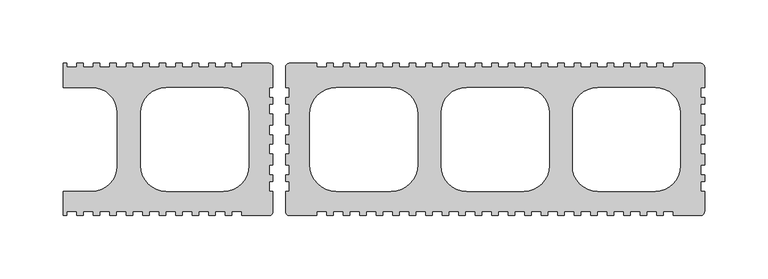
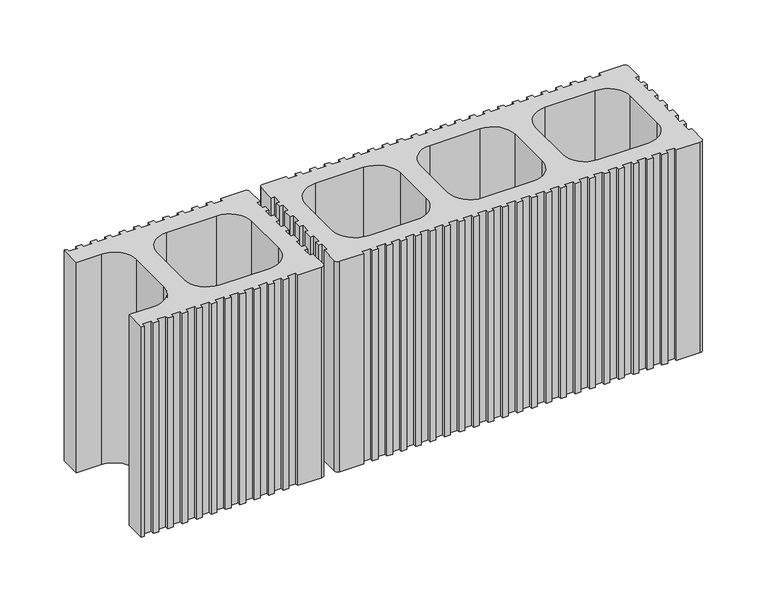
"""IFC4 building model written with IfcOpenShell, lengths in millimetres: plate geometry."""

from ifc_helpers import new_model, si_unit, point, frame_2d, origin, origin_with_axes, place, context, project, spatial, polyline, circle_curve, trimmed, segment, composite_curve, outline, extrude, source, transform, mapped, element, save


def plate_774b7703(model_context):
    return source(origin(), model_context, "Body", "SweptSolid", [
        extrude(outline(composite_curve([segment(polyline([(-114.4998028, 60.0005091), (-92.9997284, 60.0005091)]), True, "CONTINUOUS"), segment(trimmed(circle_curve(frame_2d((-92.9997284, 57.0004994)), 3.0000097), [point((-92.9997284, 60.0005091))], [point((-89.9997187, 57.0004994))], False, "CARTESIAN"), True, "CONTINUOUS"), segment(polyline([(-89.9997187, 57.0004994), (-89.9997187, 41.0004482), (-92.9997284, 41.0004482), (-92.9997284, 33.0004211), (-89.9997187, 33.0004211), (-89.9997187, 28.0004041), (-92.9997284, 28.0004041), (-92.9997284, 20.0003806), (-89.9997187, 20.0003806), (-89.9997187, 11.5003508), (-92.9997284, 11.5003508), (-92.9997284, 3.5003274), (-89.9997187, 3.5003274), (-89.9997187, -3.4996982), (-92.9997284, -3.4996982), (-92.9997284, -11.4997254), (-89.9997187, -11.4997254), (-89.9997187, -19.9997477), (-92.9997284, -19.9997477), (-92.9997284, -27.9997749), (-89.9997187, -27.9997749), (-89.9997187, -32.9997937), (-92.9997284, -32.9997937), (-92.9997284, -40.9998209), (-89.9997187, -40.9998209), (-89.9997187, -56.999871)]), True, "CONTINUOUS"), segment(trimmed(circle_curve(frame_2d((-92.9997238, -56.999871)), 3.0000051), [point((-89.9997187, -56.999871))], [point((-92.9997238, -59.9998761))], False, "CARTESIAN"), True, "CONTINUOUS"), segment(polyline([(-92.9997238, -59.9998761), (-114.4998028, -59.9998761), (-114.4998028, -56.9998664), (-122.4998151, -56.9998664), (-122.4998151, -59.9998761), (-127.4998563, -59.9998761), (-127.4998563, -56.9998664), (-135.4998685, -56.9998664), (-135.4998685, -59.9998761), (-140.4998799, -59.9998761), (-140.4998799, -56.9998664), (-148.499922, -56.9998664), (-148.499922, -59.9998761), (-153.4999334, -59.9998761), (-153.4999334, -56.9998664), (-161.4999457, -56.9998664), (-161.4999457, -59.9998761), (-166.499957, -59.9998761), (-166.499957, -56.9998664), (-174.4999991, -56.9998664), (-174.4999991, -59.9998761), (-179.5000105, -59.9998761), (-179.5000105, -56.9998664), (-187.5000377, -56.9998664), (-187.5000377, -59.9998761), (-192.5000491, -59.9998761), (-192.5000491, -56.9998664), (-200.5000762, -56.9998664), (-200.5000762, -59.9998761), (-205.5001025, -59.9998761), (-205.5001025, -56.9998664), (-213.5001297, -56.9998664), (-213.5001297, -59.9998761), (-218.5001411, -59.9998761), (-218.5001411, -56.9998664), (-226.5001683, -56.9998664), (-226.5001683, -59.9998761), (-231.5001797, -59.9998761), (-231.5001797, -56.9998664), (-239.5002068, -56.9998664), (-239.5002068, -59.9998761), (-244.5002182, -59.9998761), (-244.5002182, -56.9998664), (-252.5002454, -56.9998664), (-252.5002454, -59.9998761), (-255.0002585, -59.9998761), (-255.0002585, -40.9998761), (-232.5001435, -40.9998761)]), True, "CONTINUOUS"), segment(trimmed(circle_curve(frame_2d((-232.5001435, -20.9998113)), 20.0000648), [point((-232.5001435, -40.9998761))], [point((-212.5000788, -20.9998113))], True, "CARTESIAN"), True, "CONTINUOUS"), segment(polyline([(-212.5000788, -20.9998113), (-212.5000788, 21.0004443)]), True, "CONTINUOUS"), segment(trimmed(circle_curve(frame_2d((-232.5001435, 21.0004443)), 20.0000648), [point((-212.5000788, 21.0004443))], [point((-232.5001435, 41.0005091))], True, "CARTESIAN"), True, "CONTINUOUS"), segment(polyline([(-232.5001435, 41.0005091), (-255.0002548, 41.0005091), (-255.0002548, 60.0005091), (-252.5002454, 60.0005091), (-252.5002454, 57.0004994), (-244.5002182, 57.0004994), (-244.5002182, 60.0005091), (-239.5002068, 60.0005091), (-239.5002068, 57.0004994), (-231.5001797, 57.0004994), (-231.5001797, 60.0005091), (-226.5001683, 60.0005091), (-226.5001683, 57.0004994), (-218.5001411, 57.0004994), (-218.5001411, 60.0005091), (-213.5001297, 60.0005091), (-213.5001297, 57.0004994), (-205.5001025, 57.0004994), (-205.5001025, 60.0005091), (-200.5000762, 60.0005091), (-200.5000762, 57.0004994), (-192.5000491, 57.0004994), (-192.5000491, 60.0005091), (-187.5000377, 60.0005091), (-187.5000377, 57.0004994), (-179.5000105, 57.0004994), (-179.5000105, 60.0005091), (-174.4999991, 60.0005091), (-174.4999991, 57.0004994), (-166.499957, 57.0004994), (-166.499957, 60.0005091), (-161.4999457, 60.0005091), (-161.4999457, 57.0004994), (-153.4999334, 57.0004994), (-153.4999334, 60.0005091), (-148.499922, 60.0005091), (-148.499922, 57.0004994), (-140.4998799, 57.0004994), (-140.4998799, 60.0005091), (-135.4998685, 60.0005091), (-135.4998685, 57.0004994), (-127.4998563, 57.0004994), (-127.4998563, 60.0005091), (-122.4998151, 60.0005091), (-122.4998151, 57.0004994), (-114.4998028, 57.0004994), (-114.4998028, 60.0005091)]), True, "CONTINUOUS")], self_intersect=False), holes=[composite_curve([segment(trimmed(circle_curve(frame_2d((-173.9999985, -20.9998113)), 20.0000648), [point((-194.0000633, -20.9998113))], [point((-173.9999985, -40.9998761))], True, "CARTESIAN"), True, "CONTINUOUS"), segment(polyline([(-173.9999985, -40.9998761), (-128.999776, -40.9998761)]), True, "CONTINUOUS"), segment(trimmed(circle_curve(frame_2d((-128.999776, -20.9998113)), 20.0000648), [point((-128.999776, -40.9998761))], [point((-108.9997112, -20.9998113))], True, "CARTESIAN"), True, "CONTINUOUS"), segment(polyline([(-108.9997112, -20.9998113), (-108.9997112, 21.0004443)]), True, "CONTINUOUS"), segment(trimmed(circle_curve(frame_2d((-128.999776, 21.0004443)), 20.0000648), [point((-108.9997112, 21.0004443))], [point((-128.999776, 41.0005091))], True, "CARTESIAN"), True, "CONTINUOUS"), segment(polyline([(-128.999776, 41.0005091), (-173.9999985, 41.0005091)]), True, "CONTINUOUS"), segment(trimmed(circle_curve(frame_2d((-173.9999985, 21.0004443)), 20.0000648), [point((-173.9999985, 41.0005091))], [point((-194.0000633, 21.0004443))], True, "CARTESIAN"), True, "CONTINUOUS"), segment(polyline([(-194.0000633, 21.0004443), (-194.0000633, -20.9998113)]), True, "CONTINUOUS")], self_intersect=False)]), origin_with_axes(), (0.0, 0.0, 1.0), 200.0),
        extrude(outline(composite_curve([segment(polyline([(-55.4998769, 60.0005091), (-55.4998769, 57.0004994), (-47.4998516, 57.0004994), (-47.4998516, 60.0005091), (-42.4998328, 60.0005091), (-42.4998328, 57.0004994), (-34.4998093, 57.0004994), (-34.4998093, 60.0005091), (-29.4997905, 60.0005091), (-29.4997905, 57.0004994), (-21.499767, 57.0004994), (-21.499767, 60.0005091), (-16.4997482, 60.0005091), (-16.4997482, 57.0004994), (-8.499721, 57.0004994), (-8.499721, 60.0005091), (-3.4997096, 60.0005091), (-3.4997096, 57.0004994), (4.5003175, 57.0004994), (4.5003175, 60.0005091), (9.5003364, 60.0005091), (9.5003364, 57.0004994), (17.5003561, 57.0004994), (17.5003561, 60.0005091), (22.500375, 60.0005091), (22.500375, 57.0004994), (30.5004021, 57.0004994), (30.5004021, 60.0005091), (35.500421, 60.0005091), (35.500421, 57.0004994), (43.5004407, 57.0004994), (43.5004407, 60.0005091), (48.5004595, 60.0005091), (48.5004595, 57.0004994), (56.5004867, 57.0004994), (56.5004867, 60.0005091), (61.5004981, 60.0005091), (61.5004981, 57.0004994), (69.5005253, 57.0004994), (69.5005253, 60.0005091), (74.5005367, 60.0005091), (74.5005367, 57.0004994), (82.5005638, 57.0004994), (82.5005638, 60.0005091), (87.5005901, 60.0005091), (87.5005901, 57.0004994), (95.5006173, 57.0004994), (95.5006173, 60.0005091), (100.5006287, 60.0005091), (100.5006287, 57.0004994), (108.5006559, 57.0004994), (108.5006559, 60.0005091), (113.5006673, 60.0005091), (113.5006673, 57.0004994), (121.5006944, 57.0004994), (121.5006944, 60.0005091), (126.5007058, 60.0005091), (126.5007058, 57.0004994), (134.500733, 57.0004994), (134.500733, 60.0005091), (139.5007593, 60.0005091), (139.5007593, 57.0004994), (147.5007864, 57.0004994), (147.5007864, 60.0005091), (152.5007978, 60.0005091), (152.5007978, 57.0004994), (160.500825, 57.0004994), (160.500825, 60.0005091), (165.5008364, 60.0005091), (165.5008364, 57.0004994), (173.5008785, 57.0004994), (173.5008785, 60.0005091), (178.5008899, 60.0005091), (178.5008899, 57.0004994), (186.5009021, 57.0004994), (186.5009021, 60.0005091), (191.5009135, 60.0005091), (191.5009135, 57.0004994), (199.5009556, 57.0004994), (199.5009556, 60.0005091), (204.500967, 60.0005091), (204.500967, 57.0004994), (212.5009793, 57.0004994), (212.5009793, 60.0005091), (217.5010205, 60.0005091), (217.5010205, 57.0004994), (225.5010327, 57.0004994), (225.5010327, 60.0005091), (247.0011071, 60.0005091)]), True, "CONTINUOUS"), segment(trimmed(circle_curve(frame_2d((247.0011071, 57.0004994)), 3.0000097), [point((247.0011071, 60.0005091))], [point((250.0011168, 57.0004994))], False, "CARTESIAN"), True, "CONTINUOUS"), segment(polyline([(250.0011168, 57.0004994), (250.0011169, 41.0004482), (247.0011071, 41.0004482), (247.0011071, 33.0004211), (250.0011169, 33.0004211), (250.0011169, 28.0004041), (247.0011071, 28.0004041), (247.0011071, 20.0003807), (250.0011169, 20.0003807), (250.0011169, 11.5003509), (247.0011071, 11.5003509), (247.0011071, 3.5003274), (250.0011169, 3.5003274), (250.0011169, -3.4996982), (247.0011071, -3.4996982), (247.0011071, -11.4997254), (250.0011169, -11.4997254), (250.0011169, -19.9997477), (247.0011071, -19.9997477), (247.0011071, -27.9997749), (250.0011169, -27.9997749), (250.0011169, -32.9997937), (247.0011071, -32.9997937), (247.0011071, -40.9998209), (250.0011169, -40.9998209), (250.0011169, -56.999871)]), True, "CONTINUOUS"), segment(trimmed(circle_curve(frame_2d((247.0011118, -56.999871)), 3.0000051), [point((250.0011169, -56.999871))], [point((247.0011118, -59.9998761))], False, "CARTESIAN"), True, "CONTINUOUS"), segment(polyline([(247.0011118, -59.9998761), (225.5010327, -59.9998761), (225.5010327, -56.9998664), (217.5010205, -56.9998664), (217.5010205, -59.9998761), (212.5009793, -59.9998761), (212.5009793, -56.9998664), (204.500967, -56.9998664), (204.500967, -59.9998761), (199.5009556, -59.9998761), (199.5009556, -56.9998664), (191.5009135, -56.9998664), (191.5009135, -59.9998761), (186.5009021, -59.9998761), (186.5009021, -56.9998664), (178.5008899, -56.9998664), (178.5008899, -59.9998761), (173.5008785, -59.9998761), (173.5008785, -56.9998664), (165.5008364, -56.9998664), (165.5008364, -59.9998761), (160.500825, -59.9998761), (160.500825, -56.9998664), (152.5007978, -56.9998664), (152.5007978, -59.9998761), (147.5007864, -59.9998761), (147.5007864, -56.9998664), (139.5007593, -56.9998664), (139.5007593, -59.9998761), (134.500733, -59.9998761), (134.500733, -56.9998664), (126.5007058, -56.9998664), (126.5007058, -59.9998761), (121.5006944, -59.9998761), (121.5006944, -56.9998664), (113.5006673, -56.9998664), (113.5006673, -59.9998761), (108.5006559, -59.9998761), (108.5006559, -56.9998664), (100.5006287, -56.9998664), (100.5006287, -59.9998761), (95.5006173, -59.9998761), (95.5006173, -56.9998664), (87.5005901, -56.9998664), (87.5005901, -59.9998761), (82.5005638, -59.9998761), (82.5005638, -56.9998664), (74.5005367, -56.9998664), (74.5005367, -59.9998761), (69.5005253, -59.9998761), (69.5005253, -56.9998664), (61.5004981, -56.9998664), (61.5004981, -59.9998761), (56.5004867, -59.9998761), (56.5004867, -56.9998664), (48.5004595, -56.9998664), (48.5004595, -59.9998761), (43.5004407, -59.9998761), (43.5004407, -56.9998664), (35.500421, -56.9998664), (35.500421, -59.9998761), (30.5004021, -59.9998761), (30.5004021, -56.9998664), (22.500375, -56.9998664), (22.500375, -59.9998761), (17.5003561, -59.9998761), (17.5003561, -56.9998664), (9.5003364, -56.9998664), (9.5003364, -59.9998761), (4.5003175, -59.9998761), (4.5003175, -56.9998664), (-3.4997096, -56.9998664), (-3.4997096, -59.9998761), (-8.499721, -59.9998761), (-8.499721, -56.9998664), (-16.4997482, -56.9998664), (-16.4997482, -59.9998761), (-21.499767, -59.9998761), (-21.499767, -56.9998664), (-29.4997905, -56.9998664), (-29.4997905, -59.9998761), (-34.4998093, -59.9998761), (-34.4998093, -56.9998664), (-42.4998328, -56.9998664), (-42.4998328, -59.9998761), (-47.4998516, -59.9998761), (-47.4998516, -56.9998664), (-55.4998769, -56.9998664), (-55.4998769, -59.9998761), (-76.9999503, -59.9998761)]), True, "CONTINUOUS"), segment(trimmed(circle_curve(frame_2d((-76.9999503, -56.999871)), 3.0000051), [point((-76.9999503, -59.9998761))], [point((-79.9999555, -56.999871))], False, "CARTESIAN"), True, "CONTINUOUS"), segment(polyline([(-79.9999555, -56.999871), (-79.9999555, -40.9998209), (-76.9999457, -40.9998209), (-76.9999457, -32.9997937), (-79.9999555, -32.9997937), (-79.9999555, -27.9997749), (-76.9999457, -27.9997749), (-76.9999457, -19.9997477), (-79.9999555, -19.9997477), (-79.9999555, -11.4997254), (-76.9999457, -11.4997254), (-76.9999457, -3.4996982), (-79.9999555, -3.4996982), (-79.9999555, 3.5003274), (-76.9999457, 3.5003274), (-76.9999457, 11.5003509), (-79.9999555, 11.5003509), (-79.9999555, 20.0003807), (-76.9999457, 20.0003807), (-76.9999457, 28.0004041), (-79.9999555, 28.0004041), (-79.9999555, 33.0004211), (-76.9999457, 33.0004211), (-76.9999457, 41.0004483), (-79.9999555, 41.0004483), (-79.9999555, 57.0004994)]), True, "CONTINUOUS"), segment(trimmed(circle_curve(frame_2d((-76.9999458, 57.0004994)), 3.0000097), [point((-79.9999555, 57.0004994))], [point((-76.9999458, 60.0005091))], False, "CARTESIAN"), True, "CONTINUOUS"), segment(polyline([(-76.9999458, 60.0005091), (-55.4998769, 60.0005091)]), True, "CONTINUOUS")], self_intersect=False), holes=[composite_curve([segment(polyline([(-60.9999555, 20.0005091), (-60.9999555, -19.9998761)]), True, "CONTINUOUS"), segment(trimmed(circle_curve(frame_2d((-39.9999555, -19.9998761)), 21.0), [point((-60.9999555, -19.9998761))], [point((-39.9999555, -40.9998761))], True, "CARTESIAN"), True, "CONTINUOUS"), segment(polyline([(-39.9999555, -40.9998761), (3.0003966, -40.9998761)]), True, "CONTINUOUS"), segment(trimmed(circle_curve(frame_2d((3.0003966, -19.9998761)), 21.0), [point((3.0003966, -40.9998761))], [point((24.0003966, -19.9998761))], True, "CARTESIAN"), True, "CONTINUOUS"), segment(polyline([(24.0003966, -19.9998761), (24.0003966, 20.0005091)]), True, "CONTINUOUS"), segment(trimmed(circle_curve(frame_2d((3.0003966, 20.0005091)), 21.0), [point((24.0003966, 20.0005091))], [point((3.0003966, 41.0005091))], True, "CARTESIAN"), True, "CONTINUOUS"), segment(polyline([(3.0003966, 41.0005091), (-39.9999555, 41.0005091)]), True, "CONTINUOUS"), segment(trimmed(circle_curve(frame_2d((-39.9999555, 20.0005091)), 21.0), [point((-39.9999555, 41.0005091))], [point((-60.9999555, 20.0005091))], True, "CARTESIAN"), True, "CONTINUOUS")], self_intersect=False), composite_curve([segment(polyline([(42.5004046, 21.0004443), (42.5004046, -20.9998113)]), True, "CONTINUOUS"), segment(trimmed(circle_curve(frame_2d((62.5004694, -20.9998113)), 20.0000648), [point((42.5004046, -20.9998113))], [point((62.5004694, -40.9998761))], True, "CARTESIAN"), True, "CONTINUOUS"), segment(polyline([(62.5004694, -40.9998761), (107.500692, -40.9998761)]), True, "CONTINUOUS"), segment(trimmed(circle_curve(frame_2d((107.500692, -20.9998113)), 20.0000648), [point((107.500692, -40.9998761))], [point((127.5007568, -20.9998113))], True, "CARTESIAN"), True, "CONTINUOUS"), segment(polyline([(127.5007568, -20.9998113), (127.5007568, 21.0004443)]), True, "CONTINUOUS"), segment(trimmed(circle_curve(frame_2d((107.500692, 21.0004443)), 20.0000648), [point((127.5007568, 21.0004443))], [point((107.500692, 41.0005091))], True, "CARTESIAN"), True, "CONTINUOUS"), segment(polyline([(107.500692, 41.0005091), (62.5004694, 41.0005091)]), True, "CONTINUOUS"), segment(trimmed(circle_curve(frame_2d((62.5004694, 21.0004443)), 20.0000648), [point((62.5004694, 41.0005091))], [point((42.5004046, 21.0004443))], True, "CARTESIAN"), True, "CONTINUOUS")], self_intersect=False), composite_curve([segment(trimmed(circle_curve(frame_2d((166.000837, -20.9998113)), 20.0000648), [point((146.0007722, -20.9998113))], [point((166.000837, -40.9998761))], True, "CARTESIAN"), True, "CONTINUOUS"), segment(polyline([(166.000837, -40.9998761), (211.0010596, -40.9998761)]), True, "CONTINUOUS"), segment(trimmed(circle_curve(frame_2d((211.0010596, -20.9998113)), 20.0000648), [point((211.0010596, -40.9998761))], [point((231.0011243, -20.9998113))], True, "CARTESIAN"), True, "CONTINUOUS"), segment(polyline([(231.0011243, -20.9998113), (231.0011243, 21.0004443)]), True, "CONTINUOUS"), segment(trimmed(circle_curve(frame_2d((211.0010596, 21.0004443)), 20.0000648), [point((231.0011243, 21.0004443))], [point((211.0010596, 41.0005091))], True, "CARTESIAN"), True, "CONTINUOUS"), segment(polyline([(211.0010596, 41.0005091), (166.000837, 41.0005091)]), True, "CONTINUOUS"), segment(trimmed(circle_curve(frame_2d((166.000837, 21.0004443)), 20.0000648), [point((166.000837, 41.0005091))], [point((146.0007722, 21.0004443))], True, "CARTESIAN"), True, "CONTINUOUS"), segment(polyline([(146.0007722, 21.0004443), (146.0007722, -20.9998113)]), True, "CONTINUOUS")], self_intersect=False)]), origin_with_axes(), (0.0, 0.0, 1.0), 200.0),
    ])


if __name__ == "__main__":
    model = new_model("IFC4")
    model_context = context("Model", 3, world=origin())
    ifc_project = project(units=[si_unit("LENGTHUNIT", "METRE", prefix="MILLI")], contexts=[model_context])
    site = spatial("IfcSite", under=ifc_project)
    building = spatial("IfcBuilding", under=site)
    placement = place(None, origin())
    plate_shape = plate_774b7703(model_context)
    element("IfcPlate", 1, at=placement, inside=building, context=model_context, shape_type="MappedRepresentation", body=[
        mapped(plate_shape, transform((0.0, 0.0, 0.0), x_axis=(1.0, 0.0, 0.0), y_axis=(0.0, 1.0, 0.0), z_axis=(0.0, 0.0, 1.0))),
    ])
    save(model, "model.ifc")
